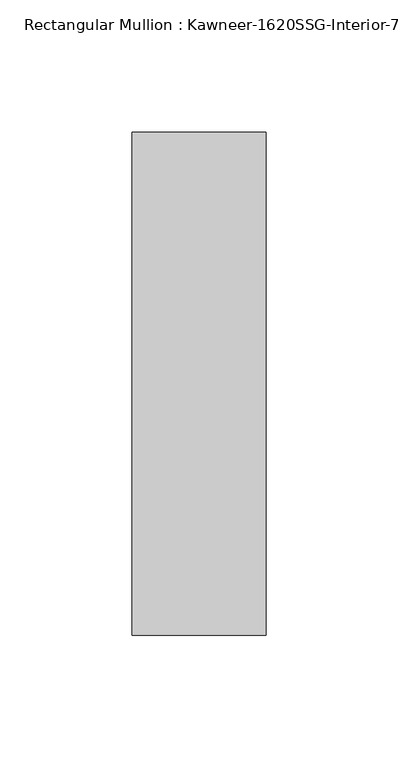
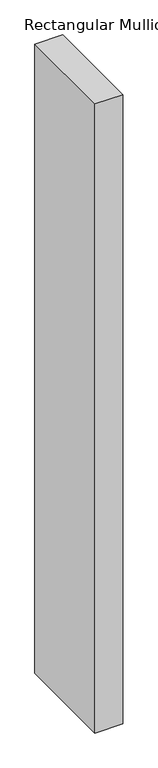
"""IFC4 building model written with IfcOpenShell, lengths in millimetres: member geometry."""

from ifc_helpers import new_model, si_unit, frame, origin, place, context, project, spatial, polyline, outline, extrude, source, transform, mapped, element, save


def member_f1c043bb(model_context):
    return source(origin(), model_context, "Body", "SweptSolid", [
        extrude(outline(polyline([(25.4, -152.4), (-25.4, -152.4), (-25.4, 38.1), (25.4, 38.1), (25.4, -152.4)])), frame((0.0, 0.0, -1219.2), z_axis=(0.0, 0.0, 1.0), x_axis=(1.0, 0.0, 0.0)), (0.0, 0.0, 1.0), 1219.2),
    ])


if __name__ == "__main__":
    model = new_model("IFC4")
    model_context = context("Model", 3, world=origin())
    ifc_project = project(units=[si_unit("LENGTHUNIT", "METRE", prefix="MILLI")], contexts=[model_context])
    site = spatial("IfcSite", under=ifc_project)
    building = spatial("IfcBuilding", under=site)
    placement = place(None, origin())
    member_shape = member_f1c043bb(model_context)
    element("IfcMember", 1, ObjectType="Rectangular Mullion : Kawneer-1620SSG-Interior-7.5\"-1\"Infill", at=placement, inside=building, context=model_context, shape_type="MappedRepresentation", body=[
        mapped(member_shape, transform((0.0, 0.0, 0.0), x_axis=(1.0, 0.0, 0.0), y_axis=(0.0, 1.0, 0.0), z_axis=(0.0, 0.0, 1.0))),
    ])
    save(model, "model.ifc")
